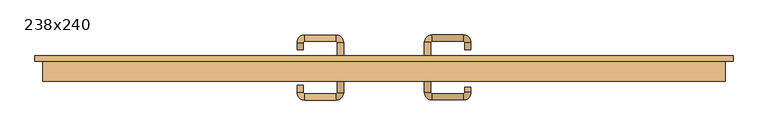
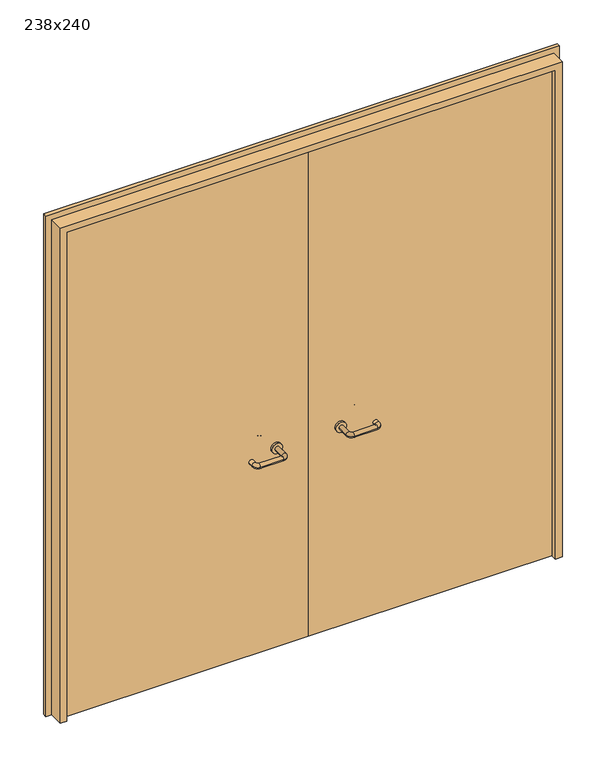
"""IFC4 building model written with IfcOpenShell, lengths in millimetres: door geometry, 238x240."""

from ifc_helpers import new_model, si_unit, point, frame, frame_2d, origin, place, context, project, spatial, polyline, circle_curve, ellipse_curve, trimmed, segment, composite_curve, outline, extrude, source, transform, mapped, element, save
from ifc_brep_helpers import plane_surface, cylinder_surface, revolved_surface, advanced_brep


def door_238x240_d7050270(model_context):
    return source(origin(), model_context, "Body", "SolidModel", [
        extrude(outline(polyline([(2507.0, 1217.0), (2507.0, -1217.0), (0.0, -1217.0), (0.0, -1173.0), (2463.0, -1173.0), (2463.0, 1173.0), (0.0, 1173.0), (0.0, 1217.0), (2507.0, 1217.0)])), frame((0.0, 110.0, 0.0), z_axis=(0.0, 1.0, 0.0), x_axis=(0.0, 0.0, 1.0)), (0.0, 0.0, 1.0), 18.0),
        extrude(outline(polyline([(2480.0, -1190.0), (0.0, -1190.0), (0.0, -1158.0), (2448.0, -1158.0), (2448.0, 1158.0), (0.0, 1158.0), (0.0, 1190.0), (2480.0, 1190.0), (2480.0, -1190.0)])), frame((0.0, 40.0, 0.0), z_axis=(0.0, 1.0, 0.0), x_axis=(0.0, 0.0, 1.0)), (0.0, 0.0, 1.0), 70.0),
        advanced_brep(
        [(140.99898, 56.0, 1003.0), (162.99898, 56.0, 1003.0), (140.99898, 0.6474631, 1003.0), (162.99898, 0.6474631, 1003.0), (166.99898, -3.3525369, 1003.0), (166.99898, -25.3525369, 1003.0), (276.99898, -25.3525369, 1003.0), (276.99898, -3.3525369, 1003.0), (280.99898, 0.6474631, 1003.0), (302.99898, 0.6474631, 1003.0), (302.99898, 18.0, 1003.0), (280.99898, 18.0, 1003.0)],
        [
            (0, 1, circle_curve(frame((151.99898, 56.0, 1003.0), z_axis=(0.0, 1.0, 0.0), x_axis=(1.0, 0.0, 0.0)), 11.0)),
            (1, 0, circle_curve(frame((151.99898, 56.0, 1003.0), z_axis=(0.0, 1.0, 0.0), x_axis=(1.0, 0.0, 0.0)), 11.0)),
            (0, 2),
            (2, 3, circle_curve(frame((151.99898, 0.6474631, 1003.0), z_axis=(0.0, 1.0, 0.0), x_axis=(1.0, 0.0, 0.0)), 11.0)),
            (3, 1),
            (3, 2, circle_curve(frame((151.99898, 0.6474631, 1003.0), z_axis=(0.0, 1.0, 0.0), x_axis=(1.0, 0.0, 0.0)), 11.0)),
            (4, 3, circle_curve(frame((166.99898, 0.6474631, 1003.0), z_axis=(0.0, 0.0, -1.0), x_axis=(-1.0, 0.0, 0.0)), 4.0)),
            (2, 5, circle_curve(frame((166.99898, 0.6474631, 1003.0), z_axis=(0.0, 0.0, 1.0), x_axis=(-1.0, 0.0, 0.0)), 26.0)),
            (5, 4, circle_curve(frame((166.99898, -14.3525369, 1003.0), z_axis=(-1.0, 0.0, 0.0), x_axis=(0.0, 1.0, 0.0)), 11.0)),
            (4, 5, circle_curve(frame((166.99898, -14.3525369, 1003.0), z_axis=(-1.0, 0.0, 0.0), x_axis=(0.0, 1.0, 0.0)), 11.0)),
            (5, 6),
            (6, 7, circle_curve(frame((276.99898, -14.3525369, 1003.0), z_axis=(-1.0, 0.0, 0.0), x_axis=(0.0, 1.0, 0.0)), 11.0)),
            (7, 4),
            (7, 6, circle_curve(frame((276.99898, -14.3525369, 1003.0), z_axis=(-1.0, 0.0, 0.0), x_axis=(0.0, 1.0, 0.0)), 11.0)),
            (8, 7, circle_curve(frame((276.99898, 0.6474631, 1003.0), z_axis=(0.0, 0.0, -1.0), x_axis=(0.0, -1.0, 0.0)), 4.0)),
            (6, 9, circle_curve(frame((276.99898, 0.6474631, 1003.0), z_axis=(0.0, 0.0, 1.0), x_axis=(0.0, -1.0, 0.0)), 26.0)),
            (9, 8, circle_curve(frame((291.99898, 0.6474631, 1003.0), z_axis=(0.0, -1.0, 0.0), x_axis=(-1.0, 0.0, 0.0)), 11.0)),
            (8, 9, circle_curve(frame((291.99898, 0.6474631, 1003.0), z_axis=(0.0, -1.0, 0.0), x_axis=(-1.0, 0.0, 0.0)), 11.0)),
            (10, 11, circle_curve(frame((291.99898, 18.0, 1003.0), z_axis=(0.0, 1.0, 0.0), x_axis=(-1.0, 0.0, 0.0)), 11.0)),
            (11, 10, circle_curve(frame((291.99898, 18.0, 1003.0), z_axis=(0.0, 1.0, 0.0), x_axis=(-1.0, 0.0, 0.0)), 11.0)),
            (9, 10),
            (11, 8),
        ],
        [
            plane_surface(frame((140.99898, 56.0, 1003.0), z_axis=(0.0, 1.0, 0.0), x_axis=(0.0, 0.0, -1.0))),
            cylinder_surface(frame((151.99898, 56.0, 1003.0), z_axis=(0.0, 1.0, 0.0), x_axis=(1.0, 0.0, 0.0)), 11.0),
            revolved_surface(trimmed(ellipse_curve(frame((151.99898, 0.6474631, 1003.0), z_axis=(0.0, 1.0, 0.0), x_axis=(1.0, 0.0, 0.0)), 11.0, 11.0), [point((140.99898, 0.6474631, 1003.0))], [point((162.99898, 0.6474631, 1003.0))], True, "CARTESIAN"), (166.99898, 0.6474631, 1003.0), (0.0, 0.0, 1.0)),
            revolved_surface(trimmed(ellipse_curve(frame((151.99898, 0.6474631, 1003.0), z_axis=(0.0, 1.0, 0.0), x_axis=(1.0, 0.0, 0.0)), 11.0, 11.0), [point((162.99898, 0.6474631, 1003.0))], [point((140.99898, 0.6474631, 1003.0))], True, "CARTESIAN"), (166.99898, 0.6474631, 1003.0), (0.0, 0.0, 1.0)),
            cylinder_surface(frame((166.99898, -14.3525369, 1003.0), z_axis=(-1.0, 0.0, 0.0), x_axis=(0.0, 1.0, 0.0)), 11.0),
            revolved_surface(trimmed(ellipse_curve(frame((276.99898, -14.3525369, 1003.0), z_axis=(-1.0, 0.0, 0.0), x_axis=(0.0, 1.0, 0.0)), 11.0, 11.0), [point((276.99898, -25.3525369, 1003.0))], [point((276.99898, -3.3525369, 1003.0))], True, "CARTESIAN"), (276.99898, 0.6474631, 1003.0), (0.0, 0.0, 1.0)),
            revolved_surface(trimmed(ellipse_curve(frame((276.99898, -14.3525369, 1003.0), z_axis=(-1.0, 0.0, 0.0), x_axis=(0.0, 1.0, 0.0)), 11.0, 11.0), [point((276.99898, -3.3525369, 1003.0))], [point((276.99898, -25.3525369, 1003.0))], True, "CARTESIAN"), (276.99898, 0.6474631, 1003.0), (0.0, 0.0, 1.0)),
            plane_surface(frame((280.99898, 18.0, 1003.0), z_axis=(0.0, 1.0, 0.0), x_axis=(0.0, 0.0, 1.0))),
            cylinder_surface(frame((291.99898, 0.6474631, 1003.0), z_axis=(0.0, -1.0, 0.0), x_axis=(-1.0, 0.0, 0.0)), 11.0),
        ],
        [
            (0, [[1, 2]]),
            (1, [[-1, 3, 4, 5]]),
            (1, [[-2, -5, 6, -3]]),
            (2, [[7, -4, 8, 9]]),
            (3, [[-8, -6, -7, 10]]),
            (4, [[-9, 11, 12, 13]]),
            (4, [[-10, -13, 14, -11]]),
            (5, [[15, -12, 16, 17]]),
            (6, [[-16, -14, -15, 18]]),
            (7, [[19, 20]]),
            (8, [[-17, 21, -20, 22]]),
            (8, [[-18, -22, -19, -21]]),
        ],
    ),
        extrude(outline(composite_curve([segment(trimmed(circle_curve(frame_2d((1003.0, 151.99898)), 25.0), [point((1003.0, 126.99898))], [point((1003.0, 176.99898))], False, "CARTESIAN"), True, "CONTINUOUS"), segment(trimmed(circle_curve(frame_2d((1003.0, 151.99898)), 25.0), [point((1003.0, 176.99898))], [point((1003.0, 126.99898))], False, "CARTESIAN"), True, "CONTINUOUS")], self_intersect=False)), frame((0.0, 56.0, 0.0), z_axis=(0.0, 1.0, 0.0), x_axis=(0.0, 0.0, 1.0)), (0.0, 0.0, 1.0), 10.0),
        advanced_brep(
        [(162.99898, 120.0, 1003.0), (140.99898, 120.0, 1003.0), (162.99898, 175.0, 1003.0), (140.99898, 175.0, 1003.0), (166.99898, 201.0, 1003.0), (166.99898, 179.0, 1003.0), (276.99898, 179.0, 1003.0), (276.99898, 201.0, 1003.0), (302.99898, 175.0, 1003.0), (280.99898, 175.0, 1003.0), (280.99898, 150.0, 1003.0), (302.99898, 150.0, 1003.0)],
        [
            (0, 1, circle_curve(frame((151.99898, 120.0, 1003.0), z_axis=(0.0, -1.0, 0.0), x_axis=(-1.0, 0.0, 0.0)), 11.0)),
            (1, 0, circle_curve(frame((151.99898, 120.0, 1003.0), z_axis=(0.0, -1.0, 0.0), x_axis=(-1.0, 0.0, 0.0)), 11.0)),
            (0, 2),
            (2, 3, circle_curve(frame((151.99898, 175.0, 1003.0), z_axis=(0.0, -1.0, 0.0), x_axis=(-1.0, 0.0, 0.0)), 11.0)),
            (3, 1),
            (3, 2, circle_curve(frame((151.99898, 175.0, 1003.0), z_axis=(0.0, -1.0, 0.0), x_axis=(-1.0, 0.0, 0.0)), 11.0)),
            (4, 3, circle_curve(frame((166.99898, 175.0, 1003.0), z_axis=(0.0, 0.0, 1.0), x_axis=(-1.0, 0.0, 0.0)), 26.0)),
            (2, 5, circle_curve(frame((166.99898, 175.0, 1003.0), z_axis=(0.0, 0.0, -1.0), x_axis=(-1.0, 0.0, 0.0)), 4.0)),
            (5, 4, circle_curve(frame((166.99898, 190.0, 1003.0), z_axis=(-1.0, 0.0, 0.0), x_axis=(0.0, 1.0, 0.0)), 11.0)),
            (4, 5, circle_curve(frame((166.99898, 190.0, 1003.0), z_axis=(-1.0, 0.0, 0.0), x_axis=(0.0, 1.0, 0.0)), 11.0)),
            (5, 6),
            (6, 7, circle_curve(frame((276.99898, 190.0, 1003.0), z_axis=(-1.0, 0.0, 0.0), x_axis=(0.0, 1.0, 0.0)), 11.0)),
            (7, 4),
            (7, 6, circle_curve(frame((276.99898, 190.0, 1003.0), z_axis=(-1.0, 0.0, 0.0), x_axis=(0.0, 1.0, 0.0)), 11.0)),
            (8, 7, circle_curve(frame((276.99898, 175.0, 1003.0), z_axis=(0.0, 0.0, 1.0), x_axis=(0.0, 1.0, 0.0)), 26.0)),
            (6, 9, circle_curve(frame((276.99898, 175.0, 1003.0), z_axis=(0.0, 0.0, -1.0), x_axis=(0.0, 1.0, 0.0)), 4.0)),
            (9, 8, circle_curve(frame((291.99898, 175.0, 1003.0), z_axis=(0.0, 1.0, 0.0), x_axis=(1.0, 0.0, 0.0)), 11.0)),
            (8, 9, circle_curve(frame((291.99898, 175.0, 1003.0), z_axis=(0.0, 1.0, 0.0), x_axis=(1.0, 0.0, 0.0)), 11.0)),
            (10, 11, circle_curve(frame((291.99898, 150.0, 1003.0), z_axis=(0.0, -1.0, 0.0), x_axis=(1.0, 0.0, 0.0)), 11.0)),
            (11, 10, circle_curve(frame((291.99898, 150.0, 1003.0), z_axis=(0.0, -1.0, 0.0), x_axis=(1.0, 0.0, 0.0)), 11.0)),
            (9, 10),
            (11, 8),
        ],
        [
            plane_surface(frame((140.99898, 120.0, 1003.0), z_axis=(0.0, -1.0, 0.0), x_axis=(0.0, 0.0, 1.0))),
            cylinder_surface(frame((151.99898, 120.0, 1003.0), z_axis=(0.0, -1.0, 0.0), x_axis=(-1.0, 0.0, 0.0)), 11.0),
            revolved_surface(trimmed(ellipse_curve(frame((151.99898, 175.0, 1003.0), z_axis=(0.0, -1.0, 0.0), x_axis=(-1.0, 0.0, 0.0)), 11.0, 11.0), [point((162.99898, 175.0, 1003.0))], [point((140.99898, 175.0, 1003.0))], True, "CARTESIAN"), (166.99898, 175.0, 1003.0), (0.0, 0.0, -1.0)),
            revolved_surface(trimmed(ellipse_curve(frame((151.99898, 175.0, 1003.0), z_axis=(0.0, -1.0, 0.0), x_axis=(-1.0, 0.0, 0.0)), 11.0, 11.0), [point((140.99898, 175.0, 1003.0))], [point((162.99898, 175.0, 1003.0))], True, "CARTESIAN"), (166.99898, 175.0, 1003.0), (0.0, 0.0, -1.0)),
            cylinder_surface(frame((166.99898, 190.0, 1003.0), z_axis=(-1.0, 0.0, 0.0), x_axis=(0.0, 1.0, 0.0)), 11.0),
            revolved_surface(trimmed(ellipse_curve(frame((276.99898, 190.0, 1003.0), z_axis=(-1.0, 0.0, 0.0), x_axis=(0.0, 1.0, 0.0)), 11.0, 11.0), [point((276.99898, 179.0, 1003.0))], [point((276.99898, 201.0, 1003.0))], True, "CARTESIAN"), (276.99898, 175.0, 1003.0), (0.0, 0.0, -1.0)),
            revolved_surface(trimmed(ellipse_curve(frame((276.99898, 190.0, 1003.0), z_axis=(-1.0, 0.0, 0.0), x_axis=(0.0, 1.0, 0.0)), 11.0, 11.0), [point((276.99898, 201.0, 1003.0))], [point((276.99898, 179.0, 1003.0))], True, "CARTESIAN"), (276.99898, 175.0, 1003.0), (0.0, 0.0, -1.0)),
            plane_surface(frame((280.99898, 150.0, 1003.0), z_axis=(0.0, -1.0, 0.0), x_axis=(0.0, 0.0, -1.0))),
            cylinder_surface(frame((291.99898, 175.0, 1003.0), z_axis=(0.0, 1.0, 0.0), x_axis=(1.0, 0.0, 0.0)), 11.0),
        ],
        [
            (0, [[1, 2]]),
            (1, [[-1, 3, 4, 5]]),
            (1, [[-2, -5, 6, -3]]),
            (2, [[7, -4, 8, 9]]),
            (3, [[-8, -6, -7, 10]]),
            (4, [[-9, 11, 12, 13]]),
            (4, [[-10, -13, 14, -11]]),
            (5, [[15, -12, 16, 17]]),
            (6, [[-16, -14, -15, 18]]),
            (7, [[19, 20]]),
            (8, [[-17, 21, -20, 22]]),
            (8, [[-18, -22, -19, -21]]),
        ],
    ),
        extrude(outline(composite_curve([segment(trimmed(circle_curve(frame_2d((1003.0, 151.99898)), 25.0), [point((1003.0, 176.99898))], [point((1003.0, 126.99898))], False, "CARTESIAN"), True, "CONTINUOUS"), segment(trimmed(circle_curve(frame_2d((1003.0, 151.99898)), 25.0), [point((1003.0, 126.99898))], [point((1003.0, 176.99898))], False, "CARTESIAN"), True, "CONTINUOUS")], self_intersect=False)), frame((0.0, 110.0, 0.0), z_axis=(0.0, 1.0, 0.0), x_axis=(0.0, 0.0, 1.0)), (0.0, 0.0, 1.0), 10.0),
        advanced_brep(
        [(-162.99898, 55.6886121, 1003.0), (-140.99898, 55.6886121, 1003.0), (-162.99898, 0.2779553, 1003.0), (-140.99898, 0.2779553, 1003.0), (-166.99898, -25.7220447, 1003.0), (-166.99898, -3.7220447, 1003.0), (-276.99898, -3.7220447, 1003.0), (-276.99898, -25.7220447, 1003.0), (-302.99898, 0.2779553, 1003.0), (-280.99898, 0.2779553, 1003.0), (-280.99898, 25.2779553, 1003.0), (-302.99898, 25.2779553, 1003.0)],
        [
            (0, 1, circle_curve(frame((-151.99898, 55.6886121, 1003.0), z_axis=(0.0, 1.0, 0.0), x_axis=(1.0, 0.0, 0.0)), 11.0)),
            (1, 0, circle_curve(frame((-151.99898, 55.6886121, 1003.0), z_axis=(0.0, 1.0, 0.0), x_axis=(1.0, 0.0, 0.0)), 11.0)),
            (0, 2),
            (2, 3, circle_curve(frame((-151.99898, 0.2779553, 1003.0), z_axis=(0.0, 1.0, 0.0), x_axis=(1.0, 0.0, 0.0)), 11.0)),
            (3, 1),
            (3, 2, circle_curve(frame((-151.99898, 0.2779553, 1003.0), z_axis=(0.0, 1.0, 0.0), x_axis=(1.0, 0.0, 0.0)), 11.0)),
            (4, 3, circle_curve(frame((-166.99898, 0.2779553, 1003.0), z_axis=(0.0, 0.0, 1.0), x_axis=(1.0, 0.0, 0.0)), 26.0)),
            (2, 5, circle_curve(frame((-166.99898, 0.2779553, 1003.0), z_axis=(0.0, 0.0, -1.0), x_axis=(1.0, 0.0, 0.0)), 4.0)),
            (5, 4, circle_curve(frame((-166.99898, -14.7220447, 1003.0), z_axis=(1.0, 0.0, 0.0), x_axis=(0.0, -1.0, 0.0)), 11.0)),
            (4, 5, circle_curve(frame((-166.99898, -14.7220447, 1003.0), z_axis=(1.0, 0.0, 0.0), x_axis=(0.0, -1.0, 0.0)), 11.0)),
            (5, 6),
            (6, 7, circle_curve(frame((-276.99898, -14.7220447, 1003.0), z_axis=(1.0, 0.0, 0.0), x_axis=(0.0, -1.0, 0.0)), 11.0)),
            (7, 4),
            (7, 6, circle_curve(frame((-276.99898, -14.7220447, 1003.0), z_axis=(1.0, 0.0, 0.0), x_axis=(0.0, -1.0, 0.0)), 11.0)),
            (8, 7, circle_curve(frame((-276.99898, 0.2779553, 1003.0), z_axis=(0.0, 0.0, 1.0), x_axis=(0.0, -1.0, 0.0)), 26.0)),
            (6, 9, circle_curve(frame((-276.99898, 0.2779553, 1003.0), z_axis=(0.0, 0.0, -1.0), x_axis=(0.0, -1.0, 0.0)), 4.0)),
            (9, 8, circle_curve(frame((-291.99898, 0.2779553, 1003.0), z_axis=(0.0, -1.0, 0.0), x_axis=(-1.0, 0.0, 0.0)), 11.0)),
            (8, 9, circle_curve(frame((-291.99898, 0.2779553, 1003.0), z_axis=(0.0, -1.0, 0.0), x_axis=(-1.0, 0.0, 0.0)), 11.0)),
            (10, 11, circle_curve(frame((-291.99898, 25.2779553, 1003.0), z_axis=(0.0, 1.0, 0.0), x_axis=(-1.0, 0.0, 0.0)), 11.0)),
            (11, 10, circle_curve(frame((-291.99898, 25.2779553, 1003.0), z_axis=(0.0, 1.0, 0.0), x_axis=(-1.0, 0.0, 0.0)), 11.0)),
            (9, 10),
            (11, 8),
        ],
        [
            plane_surface(frame((-162.99898, 55.6886121, 1003.0), z_axis=(0.0, 1.0, 0.0), x_axis=(0.0, 0.0, -1.0))),
            cylinder_surface(frame((-151.99898, 55.6886121, 1003.0), z_axis=(0.0, 1.0, 0.0), x_axis=(1.0, 0.0, 0.0)), 11.0),
            revolved_surface(trimmed(ellipse_curve(frame((-151.99898, 0.2779553, 1003.0), z_axis=(0.0, 1.0, 0.0), x_axis=(1.0, 0.0, 0.0)), 11.0, 11.0), [point((-162.99898, 0.2779553, 1003.0))], [point((-140.99898, 0.2779553, 1003.0))], True, "CARTESIAN"), (-166.99898, 0.2779553, 1003.0), (0.0, 0.0, -1.0)),
            revolved_surface(trimmed(ellipse_curve(frame((-151.99898, 0.2779553, 1003.0), z_axis=(0.0, 1.0, 0.0), x_axis=(1.0, 0.0, 0.0)), 11.0, 11.0), [point((-140.99898, 0.2779553, 1003.0))], [point((-162.99898, 0.2779553, 1003.0))], True, "CARTESIAN"), (-166.99898, 0.2779553, 1003.0), (0.0, 0.0, -1.0)),
            cylinder_surface(frame((-166.99898, -14.7220447, 1003.0), z_axis=(1.0, 0.0, 0.0), x_axis=(0.0, -1.0, 0.0)), 11.0),
            revolved_surface(trimmed(ellipse_curve(frame((-276.99898, -14.7220447, 1003.0), z_axis=(1.0, 0.0, 0.0), x_axis=(0.0, -1.0, 0.0)), 11.0, 11.0), [point((-276.99898, -3.7220447, 1003.0))], [point((-276.99898, -25.7220447, 1003.0))], True, "CARTESIAN"), (-276.99898, 0.2779553, 1003.0), (0.0, 0.0, -1.0)),
            revolved_surface(trimmed(ellipse_curve(frame((-276.99898, -14.7220447, 1003.0), z_axis=(1.0, 0.0, 0.0), x_axis=(0.0, -1.0, 0.0)), 11.0, 11.0), [point((-276.99898, -25.7220447, 1003.0))], [point((-276.99898, -3.7220447, 1003.0))], True, "CARTESIAN"), (-276.99898, 0.2779553, 1003.0), (0.0, 0.0, -1.0)),
            plane_surface(frame((-302.99898, 25.2779553, 1003.0), z_axis=(0.0, 1.0, 0.0), x_axis=(0.0, 0.0, 1.0))),
            cylinder_surface(frame((-291.99898, 0.2779553, 1003.0), z_axis=(0.0, -1.0, 0.0), x_axis=(-1.0, 0.0, 0.0)), 11.0),
        ],
        [
            (0, [[1, 2]]),
            (1, [[-1, 3, 4, 5]]),
            (1, [[-2, -5, 6, -3]]),
            (2, [[7, -4, 8, 9]]),
            (3, [[-8, -6, -7, 10]]),
            (4, [[-9, 11, 12, 13]]),
            (4, [[-10, -13, 14, -11]]),
            (5, [[15, -12, 16, 17]]),
            (6, [[-16, -14, -15, 18]]),
            (7, [[19, 20]]),
            (8, [[-17, 21, -20, 22]]),
            (8, [[-18, -22, -19, -21]]),
        ],
    ),
        extrude(outline(composite_curve([segment(trimmed(circle_curve(frame_2d((1003.0, -151.99898)), 25.0), [point((1003.0, -176.99898))], [point((1003.0, -126.99898))], False, "CARTESIAN"), True, "CONTINUOUS"), segment(trimmed(circle_curve(frame_2d((1003.0, -151.99898)), 25.0), [point((1003.0, -126.99898))], [point((1003.0, -176.99898))], False, "CARTESIAN"), True, "CONTINUOUS")], self_intersect=False)), frame((0.0, 55.6886121, 0.0), z_axis=(0.0, 1.0, 0.0), x_axis=(0.0, 0.0, 1.0)), (0.0, 0.0, 1.0), 10.3113879),
        advanced_brep(
        [(-140.99898, 119.5143417, 1003.0), (-162.99898, 119.5143417, 1003.0), (-140.99898, 174.6104656, 1003.0), (-162.99898, 174.6104656, 1003.0), (-166.99898, 178.6104656, 1003.0), (-166.99898, 200.6104656, 1003.0), (-276.99898, 200.6104656, 1003.0), (-276.99898, 178.6104656, 1003.0), (-280.99898, 174.6104656, 1003.0), (-302.99898, 174.6104656, 1003.0), (-302.99898, 149.6104656, 1003.0), (-280.99898, 149.6104656, 1003.0)],
        [
            (0, 1, circle_curve(frame((-151.99898, 119.5143417, 1003.0), z_axis=(0.0, -1.0, 0.0), x_axis=(-1.0, 0.0, 0.0)), 11.0)),
            (1, 0, circle_curve(frame((-151.99898, 119.5143417, 1003.0), z_axis=(0.0, -1.0, 0.0), x_axis=(-1.0, 0.0, 0.0)), 11.0)),
            (0, 2),
            (2, 3, circle_curve(frame((-151.99898, 174.6104656, 1003.0), z_axis=(0.0, -1.0, 0.0), x_axis=(-1.0, 0.0, 0.0)), 11.0)),
            (3, 1),
            (3, 2, circle_curve(frame((-151.99898, 174.6104656, 1003.0), z_axis=(0.0, -1.0, 0.0), x_axis=(-1.0, 0.0, 0.0)), 11.0)),
            (4, 3, circle_curve(frame((-166.99898, 174.6104656, 1003.0), z_axis=(0.0, 0.0, -1.0), x_axis=(1.0, 0.0, 0.0)), 4.0)),
            (2, 5, circle_curve(frame((-166.99898, 174.6104656, 1003.0), z_axis=(0.0, 0.0, 1.0), x_axis=(1.0, 0.0, 0.0)), 26.0)),
            (5, 4, circle_curve(frame((-166.99898, 189.6104656, 1003.0), z_axis=(1.0, 0.0, 0.0), x_axis=(0.0, -1.0, 0.0)), 11.0)),
            (4, 5, circle_curve(frame((-166.99898, 189.6104656, 1003.0), z_axis=(1.0, 0.0, 0.0), x_axis=(0.0, -1.0, 0.0)), 11.0)),
            (5, 6),
            (6, 7, circle_curve(frame((-276.99898, 189.6104656, 1003.0), z_axis=(1.0, 0.0, 0.0), x_axis=(0.0, -1.0, 0.0)), 11.0)),
            (7, 4),
            (7, 6, circle_curve(frame((-276.99898, 189.6104656, 1003.0), z_axis=(1.0, 0.0, 0.0), x_axis=(0.0, -1.0, 0.0)), 11.0)),
            (8, 7, circle_curve(frame((-276.99898, 174.6104656, 1003.0), z_axis=(0.0, 0.0, -1.0), x_axis=(0.0, 1.0, 0.0)), 4.0)),
            (6, 9, circle_curve(frame((-276.99898, 174.6104656, 1003.0), z_axis=(0.0, 0.0, 1.0), x_axis=(0.0, 1.0, 0.0)), 26.0)),
            (9, 8, circle_curve(frame((-291.99898, 174.6104656, 1003.0), z_axis=(0.0, 1.0, 0.0), x_axis=(1.0, 0.0, 0.0)), 11.0)),
            (8, 9, circle_curve(frame((-291.99898, 174.6104656, 1003.0), z_axis=(0.0, 1.0, 0.0), x_axis=(1.0, 0.0, 0.0)), 11.0)),
            (10, 11, circle_curve(frame((-291.99898, 149.6104656, 1003.0), z_axis=(0.0, -1.0, 0.0), x_axis=(1.0, 0.0, 0.0)), 11.0)),
            (11, 10, circle_curve(frame((-291.99898, 149.6104656, 1003.0), z_axis=(0.0, -1.0, 0.0), x_axis=(1.0, 0.0, 0.0)), 11.0)),
            (9, 10),
            (11, 8),
        ],
        [
            plane_surface(frame((-162.99898, 119.5143417, 1003.0), z_axis=(0.0, -1.0, 0.0), x_axis=(0.0, 0.0, 1.0))),
            cylinder_surface(frame((-151.99898, 119.5143417, 1003.0), z_axis=(0.0, -1.0, 0.0), x_axis=(-1.0, 0.0, 0.0)), 11.0),
            revolved_surface(trimmed(ellipse_curve(frame((-151.99898, 174.6104656, 1003.0), z_axis=(0.0, -1.0, 0.0), x_axis=(-1.0, 0.0, 0.0)), 11.0, 11.0), [point((-140.99898, 174.6104656, 1003.0))], [point((-162.99898, 174.6104656, 1003.0))], True, "CARTESIAN"), (-166.99898, 174.6104656, 1003.0), (0.0, 0.0, 1.0)),
            revolved_surface(trimmed(ellipse_curve(frame((-151.99898, 174.6104656, 1003.0), z_axis=(0.0, -1.0, 0.0), x_axis=(-1.0, 0.0, 0.0)), 11.0, 11.0), [point((-162.99898, 174.6104656, 1003.0))], [point((-140.99898, 174.6104656, 1003.0))], True, "CARTESIAN"), (-166.99898, 174.6104656, 1003.0), (0.0, 0.0, 1.0)),
            cylinder_surface(frame((-166.99898, 189.6104656, 1003.0), z_axis=(1.0, 0.0, 0.0), x_axis=(0.0, -1.0, 0.0)), 11.0),
            revolved_surface(trimmed(ellipse_curve(frame((-276.99898, 189.6104656, 1003.0), z_axis=(1.0, 0.0, 0.0), x_axis=(0.0, -1.0, 0.0)), 11.0, 11.0), [point((-276.99898, 200.6104656, 1003.0))], [point((-276.99898, 178.6104656, 1003.0))], True, "CARTESIAN"), (-276.99898, 174.6104656, 1003.0), (0.0, 0.0, 1.0)),
            revolved_surface(trimmed(ellipse_curve(frame((-276.99898, 189.6104656, 1003.0), z_axis=(1.0, 0.0, 0.0), x_axis=(0.0, -1.0, 0.0)), 11.0, 11.0), [point((-276.99898, 178.6104656, 1003.0))], [point((-276.99898, 200.6104656, 1003.0))], True, "CARTESIAN"), (-276.99898, 174.6104656, 1003.0), (0.0, 0.0, 1.0)),
            plane_surface(frame((-302.99898, 149.6104656, 1003.0), z_axis=(0.0, -1.0, 0.0), x_axis=(0.0, 0.0, -1.0))),
            cylinder_surface(frame((-291.99898, 174.6104656, 1003.0), z_axis=(0.0, 1.0, 0.0), x_axis=(1.0, 0.0, 0.0)), 11.0),
        ],
        [
            (0, [[1, 2]]),
            (1, [[-1, 3, 4, 5]]),
            (1, [[-2, -5, 6, -3]]),
            (2, [[7, -4, 8, 9]]),
            (3, [[-8, -6, -7, 10]]),
            (4, [[-9, 11, 12, 13]]),
            (4, [[-10, -13, 14, -11]]),
            (5, [[15, -12, 16, 17]]),
            (6, [[-16, -14, -15, 18]]),
            (7, [[19, 20]]),
            (8, [[-17, 21, -20, 22]]),
            (8, [[-18, -22, -19, -21]]),
        ],
    ),
        extrude(outline(composite_curve([segment(trimmed(circle_curve(frame_2d((1003.0, -151.99898)), 25.0), [point((1003.0, -126.99898))], [point((1003.0, -176.99898))], False, "CARTESIAN"), True, "CONTINUOUS"), segment(trimmed(circle_curve(frame_2d((1003.0, -151.99898)), 25.0), [point((1003.0, -176.99898))], [point((1003.0, -126.99898))], False, "CARTESIAN"), True, "CONTINUOUS")], self_intersect=False)), frame((0.0, 110.0, 0.0), z_axis=(0.0, 1.0, 0.0), x_axis=(0.0, 0.0, 1.0)), (0.0, 0.0, 1.0), 9.5143417),
        extrude(outline(polyline([(1.0739506, 66.0), (-1155.0, 66.0), (-1155.0, 110.0), (1.0739506, 110.0), (1.0739506, 66.0)])), frame((0.0, 0.0, 1.753223), z_axis=(0.0, 0.0, 1.0), x_axis=(1.0, 0.0, 0.0)), (0.0, 0.0, 1.0), 2437.246777),
        extrude(outline(polyline([(1155.0, 66.0), (1.0739506, 66.0), (1.0739506, 110.0), (1155.0, 110.0), (1155.0, 66.0)])), frame((0.0, 0.0, 1.753223), z_axis=(0.0, 0.0, 1.0), x_axis=(1.0, 0.0, 0.0)), (0.0, 0.0, 1.0), 2446.246777),
    ])


if __name__ == "__main__":
    model = new_model("IFC4")
    model_context = context("Model", 3, world=origin())
    ifc_project = project(units=[si_unit("LENGTHUNIT", "METRE", prefix="MILLI")], contexts=[model_context])
    site = spatial("IfcSite", under=ifc_project)
    building = spatial("IfcBuilding", under=site)
    placement = place(None, origin())
    door_238x240_shape = door_238x240_d7050270(model_context)
    element("IfcDoor", 1, ObjectType="238x240", at=placement, inside=building, context=model_context, shape_type="MappedRepresentation", body=[
        mapped(door_238x240_shape, transform((0.0, 0.0, 0.0), x_axis=(1.0, 0.0, 0.0), y_axis=(0.0, 1.0, 0.0), z_axis=(0.0, 0.0, 1.0))),
    ])
    save(model, "model.ifc")
